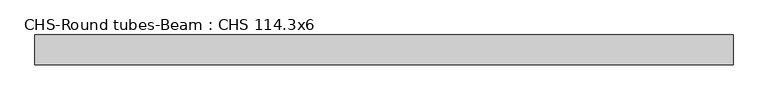
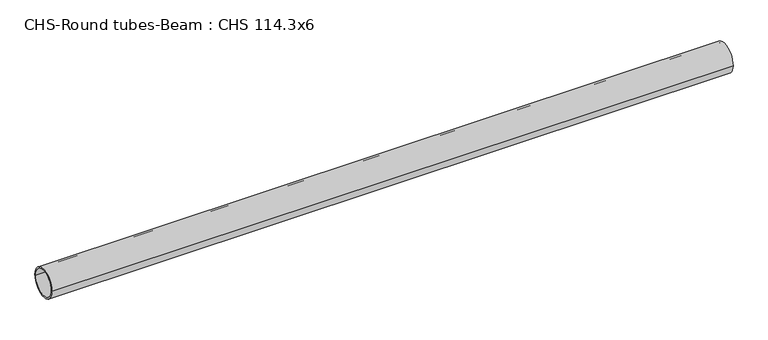
"""IFC4 building model written with IfcOpenShell, lengths in millimetres: beam geometry, CHS-Round tubes-Beam : CHS 114.3x6."""

from ifc_helpers import new_model, si_unit, point, frame, origin, origin_2d, place, context, project, spatial, circle_curve, trimmed, segment, composite_curve, outline, extrude, source, transform, mapped, element, save


def chs_round_tubes_beam_chs_114_3x6_c0295028(model_context):
    return source(origin(), model_context, "Body", "SweptSolid", [
        extrude(outline(composite_curve([segment(trimmed(circle_curve(origin_2d(), 57.15), [point((57.15, 0.0))], [point((-57.15, 0.0))], False, "CARTESIAN"), True, "CONTINUOUS"), segment(trimmed(circle_curve(origin_2d(), 57.15), [point((-57.15, 0.0))], [point((57.15, 0.0))], False, "CARTESIAN"), True, "CONTINUOUS")], self_intersect=False), holes=[composite_curve([segment(trimmed(circle_curve(origin_2d(), 51.15), [point((51.15, 0.0))], [point((-51.15, 0.0))], True, "CARTESIAN"), True, "CONTINUOUS"), segment(trimmed(circle_curve(origin_2d(), 51.15), [point((-51.15, 0.0))], [point((51.15, 0.0))], True, "CARTESIAN"), True, "CONTINUOUS")], self_intersect=False)]), frame((-1287.9629197, 0.0, 0.0), z_axis=(1.0, 0.0, 0.0), x_axis=(0.0, 1.0, 0.0)), (0.0, 0.0, 1.0), 2653.829985),
    ])


if __name__ == "__main__":
    model = new_model("IFC4")
    model_context = context("Model", 3, world=origin())
    ifc_project = project(units=[si_unit("LENGTHUNIT", "METRE", prefix="MILLI")], contexts=[model_context])
    site = spatial("IfcSite", under=ifc_project)
    building = spatial("IfcBuilding", under=site)
    placement = place(None, origin())
    chs_round_tubes_beam_chs_114_3x6_shape = chs_round_tubes_beam_chs_114_3x6_c0295028(model_context)
    element("IfcBeam", 1, ObjectType="CHS-Round tubes-Beam : CHS 114.3x6", at=placement, inside=building, context=model_context, shape_type="MappedRepresentation", body=[
        mapped(chs_round_tubes_beam_chs_114_3x6_shape, transform((0.0, 0.0, 0.0), x_axis=(1.0, 0.0, 0.0), y_axis=(0.0, 1.0, 0.0), z_axis=(0.0, 0.0, 1.0))),
    ])
    save(model, "model.ifc")
